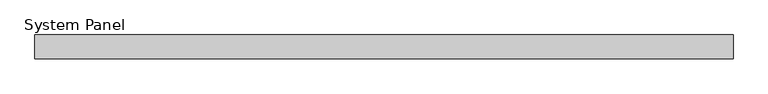
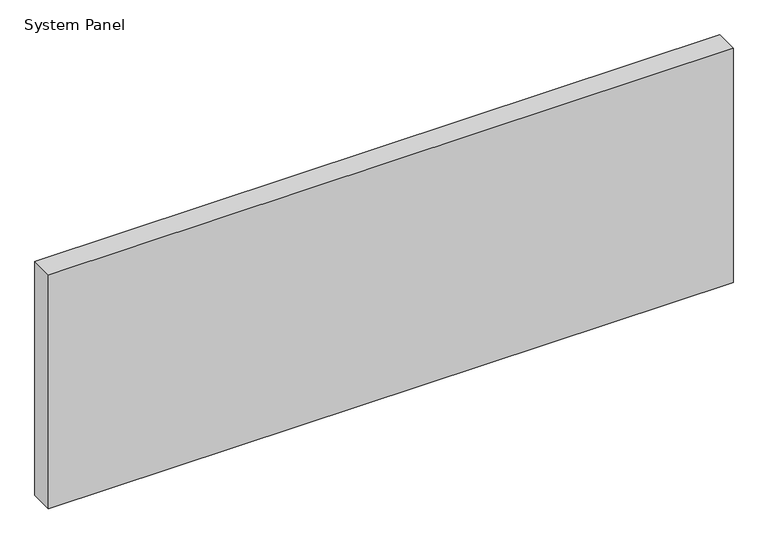
"""IFC4 building model written with IfcOpenShell, lengths in millimetres: plate geometry, System Panel."""

from ifc_helpers import new_model, si_unit, origin, origin_with_axes, place, context, project, spatial, polyline, outline, extrude, source, transform, mapped, element, save


def system_panel_4b8af523(model_context):
    return source(origin(), model_context, "Body", "SweptSolid", [
        extrude(outline(polyline([(587.5, 14.0), (-587.5, 14.0), (-587.5, 54.0), (587.5, 54.0), (587.5, 14.0)])), origin_with_axes(), (0.0, 0.0, 1.0), 425.0),
    ])


if __name__ == "__main__":
    model = new_model("IFC4")
    model_context = context("Model", 3, world=origin())
    ifc_project = project(units=[si_unit("LENGTHUNIT", "METRE", prefix="MILLI")], contexts=[model_context])
    site = spatial("IfcSite", under=ifc_project)
    building = spatial("IfcBuilding", under=site)
    placement = place(None, origin())
    system_panel_shape = system_panel_4b8af523(model_context)
    element("IfcPlate", 1, ObjectType="System Panel", at=placement, inside=building, context=model_context, shape_type="MappedRepresentation", body=[
        mapped(system_panel_shape, transform((0.0, 0.0, 0.0), x_axis=(1.0, 0.0, 0.0), y_axis=(0.0, 1.0, 0.0), z_axis=(0.0, 0.0, 1.0))),
    ])
    save(model, "model.ifc")
